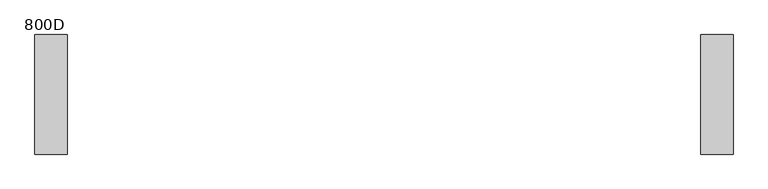
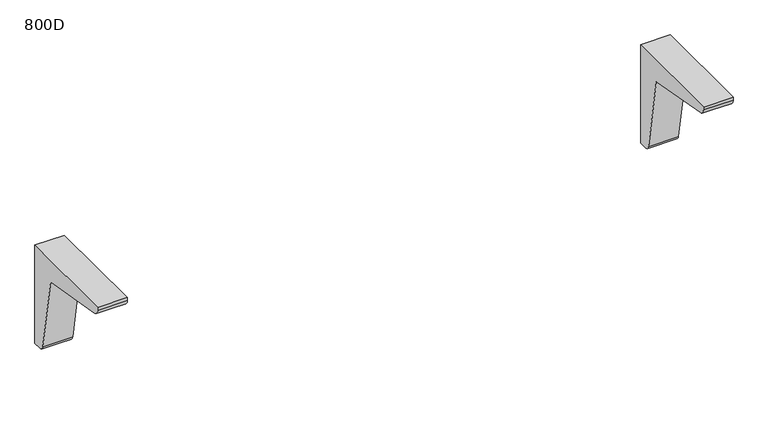
"""IFC4 building model written with IfcOpenShell, lengths in millimetres: furniture geometry, 800D."""

import ifcopenshell
import ifcopenshell.guid

model = None  # the IFC model being written
_history = None  # IfcOwnerHistory: only IFC2X3 demands one
_inside = {}  # id of a spatial element -> (the spatial element, [elements in it])
_under = {}  # id of a project, library or spatial element -> (it, [spatial elements below it])
_declared = {}  # id of a project -> (the project, [libraries it declares])
_typed = {}  # id of a type object -> (the type object, [elements of that type])
_made_of = {}  # id of a material, layer set ... -> (it, [elements and type objects made of it])


def new_model(schema):
    """Start an empty IFC model of exactly this schema.

    Asked for "IFC4X3", IfcOpenShell would pick the latest addendum, in which some entities
    have other attributes; the version numbers below select the first issue.
    IFC2X3 requires an IfcOwnerHistory on every rooted entity: one is made here for all.
    """
    global model, _history
    if schema == "IFC4X3":
        model = ifcopenshell.file(schema_version=(4, 3, 0, 0))
    else:
        model = ifcopenshell.file(schema=schema)
    _inside.clear()
    _under.clear()
    _declared.clear()
    _typed.clear()
    _made_of.clear()
    _history = None
    if model.schema == "IFC2X3":
        org = make("IfcOrganization", Name="unknown")
        user = make(
            "IfcPersonAndOrganization",
            ThePerson=make("IfcPerson", FamilyName="unknown"),
            TheOrganization=org,
        )
        app = make(
            "IfcApplication",
            ApplicationDeveloper=org,
            Version="unknown",
            ApplicationFullName="unknown",
            ApplicationIdentifier="unknown",
        )
        _history = make(
            "IfcOwnerHistory",
            OwningUser=user,
            OwningApplication=app,
            ChangeAction="ADDED",
            CreationDate=0,
        )
    return model


def make(cls, **values):
    """One entity of the class cls with the attributes given. An attribute that is None is left unset."""
    return model.create_entity(
        cls, **{name: value for name, value in values.items() if value is not None}
    )


def rooted(cls, **values):
    """An entity with a GlobalId (a new one), such as an element, a storey or a relation."""
    return make(cls, GlobalId=ifcopenshell.guid.new(), OwnerHistory=_history, **values)


def si_unit(unit_type, name, prefix=None):
    """IfcSIUnit, for example si_unit("LENGTHUNIT", "METRE", prefix="MILLI")."""
    return make("IfcSIUnit", UnitType=unit_type, Prefix=prefix, Name=name)


def assignment(units):
    """IfcUnitAssignment: the units of a project."""
    return None if units is None else make("IfcUnitAssignment", Units=units)


def point(xyz):
    """IfcCartesianPoint."""
    return None if xyz is None else make("IfcCartesianPoint", Coordinates=xyz)


def direction(xyz):
    """IfcDirection."""
    return None if xyz is None else make("IfcDirection", DirectionRatios=xyz)


def frame(location, z_axis=None, x_axis=None):
    """IfcAxis2Placement3D, a coordinate frame: its origin and axes. An axis left out is left unset."""
    return make(
        "IfcAxis2Placement3D",
        Location=point(location),
        Axis=direction(z_axis),
        RefDirection=direction(x_axis),
    )


def frame_2d(location, x_axis=None):
    """IfcAxis2Placement2D, a coordinate frame in the plane: its origin and x axis."""
    return make(
        "IfcAxis2Placement2D", Location=point(location), RefDirection=direction(x_axis)
    )


def origin():
    """The frame at (0, 0, 0) with its axes left unset."""
    return frame((0.0, 0.0, 0.0))


def place(relative_to, where):
    """IfcLocalPlacement: puts the frame where relative to a parent placement (None: the world)."""
    return make(
        "IfcLocalPlacement", PlacementRelTo=relative_to, RelativePlacement=where
    )


def context(
    kind, dimensions, precision=None, world=None, true_north=None, identifier=None
):
    """IfcGeometricRepresentationContext, for example the 3D "Model" context."""
    return make(
        "IfcGeometricRepresentationContext",
        ContextIdentifier=identifier,
        ContextType=kind,
        CoordinateSpaceDimension=dimensions,
        Precision=precision,
        WorldCoordinateSystem=world,
        TrueNorth=true_north,
    )


def project(units=None, contexts=None):
    """IfcProject with its units and contexts."""
    return rooted(
        "IfcProject",
        Name="project",
        RepresentationContexts=contexts,
        UnitsInContext=assignment(units),
    )


def spatial(cls, under=None, at=None, **own):
    """A site, building, storey or space (cls), placed at a placement, below another one or the project."""
    s = rooted(cls, ObjectPlacement=at, **own)
    if under is not None:
        _under.setdefault(under.id(), (under, []))[1].append(s)
    return s


def polyline(points):
    """IfcPolyline through the points."""
    return make("IfcPolyline", Points=[point(p) for p in points])


def circle_curve(where, radius):
    """IfcCircle in the frame where."""
    return make("IfcCircle", Position=where, Radius=radius)


def trimmed(basis, trim1, trim2, sense, master):
    """IfcTrimmedCurve: the piece of a basis curve between two trims."""
    return make(
        "IfcTrimmedCurve",
        BasisCurve=basis,
        Trim1=trim1,
        Trim2=trim2,
        SenseAgreement=sense,
        MasterRepresentation=master,
    )


def segment(curve, same_sense, transition):
    """IfcCompositeCurveSegment."""
    return make(
        "IfcCompositeCurveSegment",
        Transition=transition,
        SameSense=same_sense,
        ParentCurve=curve,
    )


def composite_curve(segments, self_intersect=None):
    """IfcCompositeCurve: segments joined end to end."""
    return make("IfcCompositeCurve", Segments=segments, SelfIntersect=self_intersect)


def outline(outer, holes=None, kind="AREA"):
    """IfcArbitraryClosedProfileDef: a profile drawn as a closed curve; with holes, ...WithVoids."""
    if holes is None:
        return make("IfcArbitraryClosedProfileDef", ProfileType=kind, OuterCurve=outer)
    return make(
        "IfcArbitraryProfileDefWithVoids",
        ProfileType=kind,
        OuterCurve=outer,
        InnerCurves=holes,
    )


def extrude(swept, where, along, depth):
    """IfcExtrudedAreaSolid: the profile swept, set in the frame where, extruded along a direction by depth."""
    return make(
        "IfcExtrudedAreaSolid",
        SweptArea=swept,
        Position=where,
        ExtrudedDirection=direction(along),
        Depth=depth,
    )


def shape(context_of_items, identifier, shape_type, items):
    """IfcShapeRepresentation: the items that make up one representation, for example the "Body"."""
    return make(
        "IfcShapeRepresentation",
        ContextOfItems=context_of_items,
        RepresentationIdentifier=identifier,
        RepresentationType=shape_type,
        Items=items,
    )


def source(mapping_origin, context_of_items, identifier, shape_type, items):
    """IfcRepresentationMap: a shape defined once, which mapped items show again and again."""
    return make(
        "IfcRepresentationMap",
        MappingOrigin=mapping_origin,
        MappedRepresentation=shape(context_of_items, identifier, shape_type, items),
    )


def transform(
    local_origin,
    x_axis=None,
    y_axis=None,
    z_axis=None,
    scale=None,
    scale2=None,
    scale3=None,
    uniform=True,
):
    """IfcCartesianTransformationOperator3D, or its non-uniform kind. x_axis, y_axis, z_axis: its Axis1, 2, 3."""
    if uniform:
        return make(
            "IfcCartesianTransformationOperator3D",
            Axis1=direction(x_axis),
            Axis2=direction(y_axis),
            LocalOrigin=point(local_origin),
            Scale=scale,
            Axis3=direction(z_axis),
        )
    return make(
        "IfcCartesianTransformationOperator3DnonUniform",
        Axis1=direction(x_axis),
        Axis2=direction(y_axis),
        LocalOrigin=point(local_origin),
        Scale=scale,
        Axis3=direction(z_axis),
        Scale2=scale2,
        Scale3=scale3,
    )


def mapped(mapping_source, mapping_target):
    """IfcMappedItem: shows the shape of a source again, moved by a transform."""
    return make(
        "IfcMappedItem", MappingSource=mapping_source, MappingTarget=mapping_target
    )


def made_of(thing, what):
    """Note that an element or type object is made of a material, layer set ...; save() writes the relation."""
    if what is not None:
        _made_of.setdefault(what.id(), (what, []))[1].append(thing)
    return thing


def element(
    cls,
    number,
    at=None,
    inside=None,
    cuts=None,
    type_object=None,
    material=None,
    context=None,
    identifier="Body",
    shape_type=None,
    held_by="IfcProductDefinitionShape",
    body=None,
    shapes=None,
    **own,
):
    """One element of the class cls, such as IfcWall. Its Tag is "e" and its number.

    at: its placement. inside: the storey or other place that contains it. cuts: it is an
    opening in that element (IfcRelVoidsElement). A single representation is given by context,
    identifier, shape_type and body (its items); several are given by shapes. held_by: the class
    of the entity that holds the representations. save() writes the other relations.
    """
    e = rooted(cls, Tag="e%d" % number, ObjectPlacement=at, **own)
    if body is not None:
        shapes = [shape(context, identifier, shape_type, body)]
    if shapes is not None:
        e.Representation = make(held_by, Representations=shapes)
    if inside is not None:
        _inside.setdefault(inside.id(), (inside, []))[1].append(e)
    if cuts is not None:
        rooted(
            "IfcRelVoidsElement", RelatingBuildingElement=cuts, RelatedOpeningElement=e
        )
    if type_object is not None:
        _typed.setdefault(type_object.id(), (type_object, []))[1].append(e)
    return made_of(e, material)


def aggregate(whole, parts):
    """IfcRelAggregates: a whole, such as a stair, and the parts it consists of."""
    return rooted("IfcRelAggregates", RelatingObject=whole, RelatedObjects=parts)


def save(model, path):
    """Write the relations noted so far, then the file.

    IfcRelAggregates (storeys below a building ...), IfcRelContainedInSpatialStructure (elements
    in a storey), IfcRelDefinesByType, IfcRelAssociatesMaterial and IfcRelDeclares: one each for
    every whole, place, type object, material and project.
    """
    for whole, parts in _under.values():
        aggregate(whole, parts)
    for where, things in _inside.values():
        rooted(
            "IfcRelContainedInSpatialStructure",
            RelatedElements=things,
            RelatingStructure=where,
        )
    for kind, things in _typed.values():
        rooted("IfcRelDefinesByType", RelatedObjects=things, RelatingType=kind)
    for what, things in _made_of.values():
        rooted("IfcRelAssociatesMaterial", RelatedObjects=things, RelatingMaterial=what)
    for by, libraries in _declared.values():
        rooted("IfcRelDeclares", RelatingContext=by, RelatedDefinitions=libraries)
    model.write(path)


def furniture_800d_67986ae0(model_context):
    return source(origin(), model_context, "Body", "SweptSolid", [
        extrude(outline(composite_curve([segment(polyline([(0.0, 711.0), (0.0, 535.0), (-13.6, 535.0)]), True, "CONTINUOUS"), segment(trimmed(circle_curve(frame_2d((-13.6, 545.0)), 10.0), [point((-13.6, 535.0))], [point((-23.4480775, 543.2635182))], False, "CARTESIAN"), True, "CONTINUOUS"), segment(polyline([(-23.4480775, 543.2635182), (-46.2755353, 672.7244647), (-175.7393463, 695.5524276)]), True, "CONTINUOUS"), segment(trimmed(circle_curve(frame_2d((-173.2638671, 706.0)), 10.7368416), [point((-175.7393463, 695.5524276))], [point((-184.0007087, 706.0))], False, "CARTESIAN"), True, "CONTINUOUS"), segment(polyline([(-184.0007087, 706.0), (-184.0007087, 711.0), (0.0, 711.0)]), True, "CONTINUOUS")], self_intersect=False)), frame((486.9, 0.0, 0.0), z_axis=(1.0, 0.0, 0.0), x_axis=(0.0, 1.0, 0.0)), (0.0, 0.0, 1.0), 50.0),
        extrude(outline(composite_curve([segment(polyline([(0.0, 711.0), (0.0, 535.0), (-13.6, 535.0)]), True, "CONTINUOUS"), segment(trimmed(circle_curve(frame_2d((-13.6, 545.0)), 10.0), [point((-13.6, 535.0))], [point((-23.4480775, 543.2635182))], False, "CARTESIAN"), True, "CONTINUOUS"), segment(polyline([(-23.4480775, 543.2635182), (-46.2755353, 672.7244647), (-175.7393463, 695.5524276)]), True, "CONTINUOUS"), segment(trimmed(circle_curve(frame_2d((-173.2638671, 706.0)), 10.7368416), [point((-175.7393463, 695.5524276))], [point((-184.0007087, 706.0))], False, "CARTESIAN"), True, "CONTINUOUS"), segment(polyline([(-184.0007087, 706.0), (-184.0007087, 711.0), (0.0, 711.0)]), True, "CONTINUOUS")], self_intersect=False)), frame((-536.9, 0.0, 0.0), z_axis=(1.0, 0.0, 0.0), x_axis=(0.0, 1.0, 0.0)), (0.0, 0.0, 1.0), 50.0),
    ])


if __name__ == "__main__":
    model = new_model("IFC4")
    model_context = context("Model", 3, world=origin())
    ifc_project = project(units=[si_unit("LENGTHUNIT", "METRE", prefix="MILLI")], contexts=[model_context])
    site = spatial("IfcSite", under=ifc_project)
    building = spatial("IfcBuilding", under=site)
    placement = place(None, origin())
    furniture_800d_shape = furniture_800d_67986ae0(model_context)
    element("IfcFurniture", 1, ObjectType="800D", at=placement, inside=building, context=model_context, shape_type="MappedRepresentation", body=[
        mapped(furniture_800d_shape, transform((0.0, 0.0, 0.0), x_axis=(1.0, 0.0, 0.0), y_axis=(0.0, 1.0, 0.0), z_axis=(0.0, 0.0, 1.0))),
    ])
    save(model, "model.ifc")
